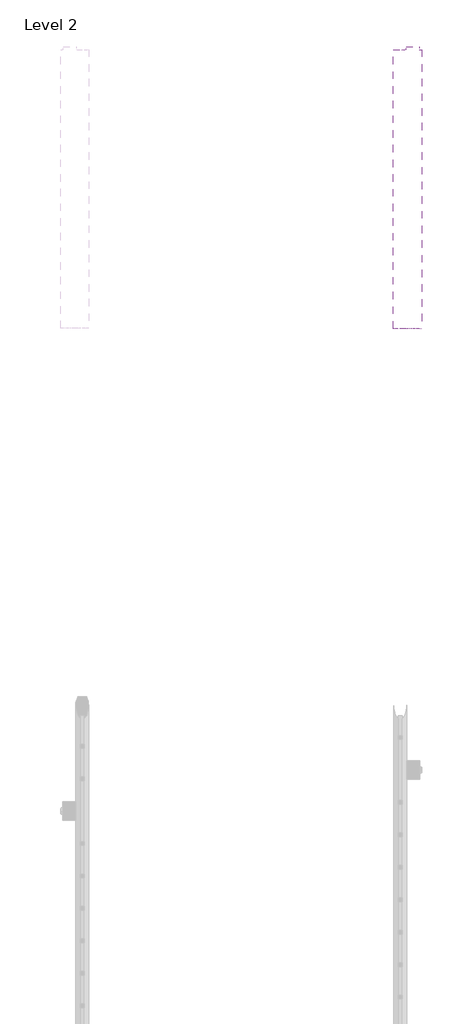
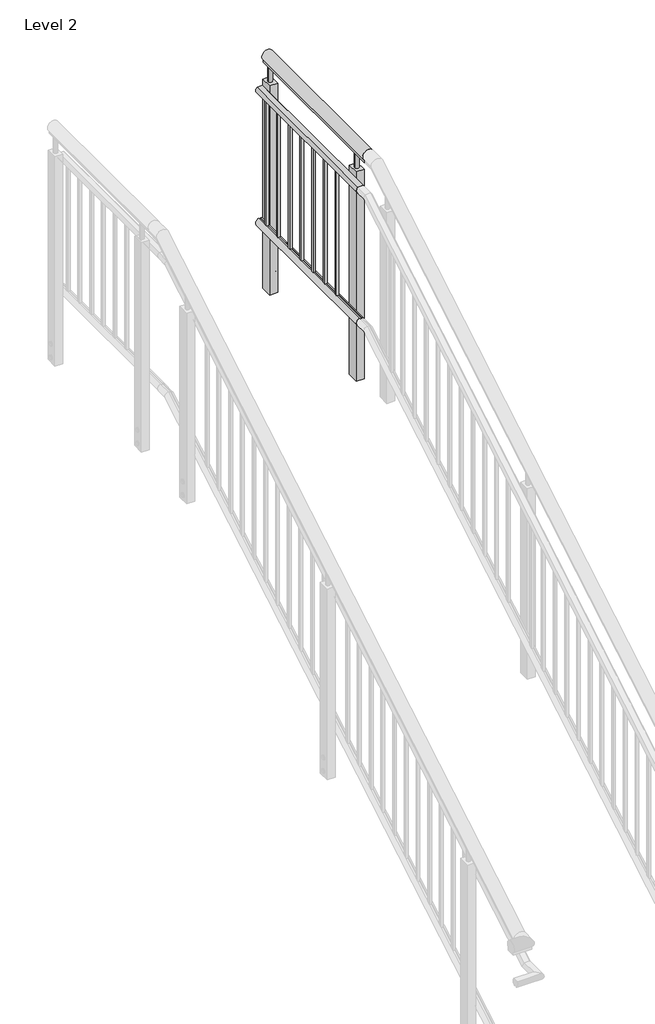
# One storey, part 7 of 7: 1 railing.
"""IFC4 building model written with IfcOpenShell, lengths in millimetres."""

from ifc_helpers import new_model, si_unit, point, frame, frame_2d, origin, place, context, project, spatial, polyline, circle_curve, trimmed, segment, composite_curve, outline, extrude, element, save

model = new_model("IFC4")

# Units and contexts
model_context = context("Model", 3, world=origin())
ifc_project = project(units=[si_unit("LENGTHUNIT", "METRE", prefix="MILLI")], contexts=[model_context])

# Site, building, storey
site = spatial("IfcSite", under=ifc_project)
building = spatial("IfcBuilding", under=site)
storey = spatial("IfcBuildingStorey", under=building, Name="Level 2", Elevation=4000.0)

# Railing
placement = place(None, origin())
element("IfcRailing", 1, ObjectType="MT_Common stair with Balustrade_Level 4", at=placement, inside=storey, context=model_context, shape_type="SweptSolid", body=[
    extrude(outline(composite_curve([segment(trimmed(circle_curve(frame_2d((6710.0, -7594.4117574)), 28.3397674), [point((6690.8057322, -7573.5617574))], [point((6690.8057322, -7615.2617574))], False, "CARTESIAN"), True, "CONTINUOUS"), segment(polyline([(6690.8057322, -7615.2617574), (6678.0, -7615.2617574), (6678.0, -7573.5617574), (6690.8057322, -7573.5617574)]), True, "CONTINUOUS")], self_intersect=False)), frame((0.0, -1698.2332568, 0.0), z_axis=(0.0, 1.0, 0.0), x_axis=(0.0, 0.0, 1.0)), (0.0, 0.0, 1.0), 860.0),
    extrude(outline(composite_curve([segment(polyline([(6525.9454038, -7639.6279022), (6530.0, -7639.6279022), (6530.0, -7628.0453076), (6525.7728949, -7628.0453076)]), True, "CONTINUOUS"), segment(trimmed(circle_curve(frame_2d((6545.0, -7633.5515248)), 20.0), [point((6525.7728949, -7628.0453076))], [point((6560.0, -7620.3227683))], False, "CARTESIAN"), True, "CONTINUOUS"), segment(polyline([(6560.0, -7620.3227683), (6560.0, -7646.7802814)]), True, "CONTINUOUS"), segment(trimmed(circle_curve(frame_2d((6545.0, -7633.5515248)), 20.0), [point((6560.0, -7646.7802814))], [point((6525.9454038, -7639.6279022))], False, "CARTESIAN"), True, "CONTINUOUS")], self_intersect=False)), frame((0.0, -1698.2332568, 0.0), z_axis=(0.0, 1.0, 0.0), x_axis=(0.0, 0.0, 1.0)), (0.0, 0.0, 1.0), 860.0),
    extrude(outline(composite_curve([segment(polyline([(5873.2545962, -7627.4751475), (5869.2, -7627.4751475), (5869.2, -7639.057742), (5873.4271051, -7639.057742)]), True, "CONTINUOUS"), segment(trimmed(circle_curve(frame_2d((5854.2, -7633.5515248)), 20.0), [point((5873.4271051, -7639.057742))], [point((5839.2, -7646.7802814))], False, "CARTESIAN"), True, "CONTINUOUS"), segment(polyline([(5839.2, -7646.7802814), (5839.2, -7620.3227683)]), True, "CONTINUOUS"), segment(trimmed(circle_curve(frame_2d((5854.2, -7633.5515248)), 20.0), [point((5839.2, -7620.3227683))], [point((5873.2545962, -7627.4751475))], False, "CARTESIAN"), True, "CONTINUOUS")], self_intersect=False)), frame((0.0, -1698.2332568, 0.0), z_axis=(0.0, 1.0, 0.0), x_axis=(0.0, 0.0, 1.0)), (0.0, 0.0, 1.0), 860.0),
    extrude(outline(polyline([(-7639.5515248, -904.2332568), (-7639.5515248, -892.2332568), (-7627.5515248, -892.2332568), (-7627.5515248, -904.2332568), (-7639.5515248, -904.2332568)])), frame((0.0, 0.0, 5873.4271051), z_axis=(0.0, 0.0, 1.0), x_axis=(1.0, 0.0, 0.0)), (0.0, 0.0, 1.0), 656.5728949),
    extrude(outline(polyline([(-7639.5515248, -1004.2332568), (-7639.5515248, -992.2332568), (-7627.5515248, -992.2332568), (-7627.5515248, -1004.2332568), (-7639.5515248, -1004.2332568)])), frame((0.0, 0.0, 5873.4271051), z_axis=(0.0, 0.0, 1.0), x_axis=(1.0, 0.0, 0.0)), (0.0, 0.0, 1.0), 656.5728949),
    extrude(outline(polyline([(-7639.5515248, -1104.2332568), (-7639.5515248, -1092.2332568), (-7627.5515248, -1092.2332568), (-7627.5515248, -1104.2332568), (-7639.5515248, -1104.2332568)])), frame((0.0, 0.0, 5873.4271051), z_axis=(0.0, 0.0, 1.0), x_axis=(1.0, 0.0, 0.0)), (0.0, 0.0, 1.0), 656.5728949),
    extrude(outline(polyline([(-7639.5515248, -1204.2332568), (-7639.5515248, -1192.2332568), (-7627.5515248, -1192.2332568), (-7627.5515248, -1204.2332568), (-7639.5515248, -1204.2332568)])), frame((0.0, 0.0, 5873.4271051), z_axis=(0.0, 0.0, 1.0), x_axis=(1.0, 0.0, 0.0)), (0.0, 0.0, 1.0), 656.5728949),
    extrude(outline(polyline([(-7639.5515248, -1304.2332568), (-7639.5515248, -1292.2332568), (-7627.5515248, -1292.2332568), (-7627.5515248, -1304.2332568), (-7639.5515248, -1304.2332568)])), frame((0.0, 0.0, 5873.4271051), z_axis=(0.0, 0.0, 1.0), x_axis=(1.0, 0.0, 0.0)), (0.0, 0.0, 1.0), 656.5728949),
    extrude(outline(polyline([(-7639.5515248, -1404.2332568), (-7639.5515248, -1392.2332568), (-7627.5515248, -1392.2332568), (-7627.5515248, -1404.2332568), (-7639.5515248, -1404.2332568)])), frame((0.0, 0.0, 5873.4271051), z_axis=(0.0, 0.0, 1.0), x_axis=(1.0, 0.0, 0.0)), (0.0, 0.0, 1.0), 656.5728949),
    extrude(outline(polyline([(-7639.5515248, -1504.2332568), (-7639.5515248, -1492.2332568), (-7627.5515248, -1492.2332568), (-7627.5515248, -1504.2332568), (-7639.5515248, -1504.2332568)])), frame((0.0, 0.0, 5873.4271051), z_axis=(0.0, 0.0, 1.0), x_axis=(1.0, 0.0, 0.0)), (0.0, 0.0, 1.0), 656.5728949),
    extrude(outline(polyline([(-858.2332568, 5535.7470054), (-848.2332568, 5529.9735027), (-848.2332568, 5518.4264973), (-858.2332568, 5512.6529946), (-868.2332568, 5518.4264973), (-868.2332568, 5529.9735027), (-858.2332568, 5535.7470054)])), frame((-7573.5515248, 0.0, 0.0), z_axis=(1.0, 0.0, 0.0), x_axis=(0.0, 1.0, 0.0)), (0.0, 0.0, 1.0), 4.0),
    extrude(outline(polyline([(-858.2332568, 5605.7470054), (-848.2332568, 5599.9735027), (-848.2332568, 5588.4264973), (-858.2332568, 5582.6529946), (-868.2332568, 5588.4264973), (-868.2332568, 5599.9735027), (-858.2332568, 5605.7470054)])), frame((-7573.5515248, 0.0, 0.0), z_axis=(1.0, 0.0, 0.0), x_axis=(0.0, 1.0, 0.0)), (0.0, 0.0, 1.0), 4.0),
    extrude(outline(composite_curve([segment(trimmed(circle_curve(frame_2d((-858.2332568, 5524.2)), 8.0), [point((-866.2332568, 5524.2))], [point((-850.2332568, 5524.2))], False, "CARTESIAN"), True, "CONTINUOUS"), segment(trimmed(circle_curve(frame_2d((-858.2332568, 5524.2)), 8.0), [point((-850.2332568, 5524.2))], [point((-866.2332568, 5524.2))], False, "CARTESIAN"), True, "CONTINUOUS")], self_intersect=False)), frame((-7573.5515248, 0.0, 0.0), z_axis=(1.0, 0.0, 0.0), x_axis=(0.0, 1.0, 0.0)), (0.0, 0.0, 1.0), 6.0),
    extrude(outline(composite_curve([segment(trimmed(circle_curve(frame_2d((-858.2332568, 5594.2)), 8.0), [point((-866.2332568, 5594.2))], [point((-850.2332568, 5594.2))], False, "CARTESIAN"), True, "CONTINUOUS"), segment(trimmed(circle_curve(frame_2d((-858.2332568, 5594.2)), 8.0), [point((-850.2332568, 5594.2))], [point((-866.2332568, 5594.2))], False, "CARTESIAN"), True, "CONTINUOUS")], self_intersect=False)), frame((-7573.5515248, 0.0, 0.0), z_axis=(1.0, 0.0, 0.0), x_axis=(0.0, 1.0, 0.0)), (0.0, 0.0, 1.0), 6.0),
    extrude(outline(composite_curve([segment(trimmed(circle_curve(frame_2d((-7593.5515248, -858.2332568)), 10.0), [point((-7583.5515248, -858.2332568))], [point((-7603.5515248, -858.2332568))], False, "CARTESIAN"), True, "CONTINUOUS"), segment(trimmed(circle_curve(frame_2d((-7593.5515248, -858.2332568)), 10.0), [point((-7603.5515248, -858.2332568))], [point((-7583.5515248, -858.2332568))], False, "CARTESIAN"), True, "CONTINUOUS")], self_intersect=False)), frame((0.0, 0.0, 6585.0), z_axis=(0.0, 0.0, 1.0), x_axis=(1.0, 0.0, 0.0)), (0.0, 0.0, 1.0), 100.0),
    extrude(outline(polyline([(-7613.5515248, -887.2332568), (-7613.5515248, -829.2332568), (-7573.5515248, -829.2332568), (-7573.5515248, -887.2332568), (-7613.5515248, -887.2332568)])), frame((0.0, 0.0, 5494.2), z_axis=(0.0, 0.0, 1.0), x_axis=(1.0, 0.0, 0.0)), (0.0, 0.0, 1.0), 1090.8),
    extrude(outline(polyline([(-1598.2332568, 5535.7470054), (-1588.2332568, 5529.9735027), (-1588.2332568, 5518.4264973), (-1598.2332568, 5512.6529946), (-1608.2332568, 5518.4264973), (-1608.2332568, 5529.9735027), (-1598.2332568, 5535.7470054)])), frame((-7573.5515248, 0.0, 0.0), z_axis=(1.0, 0.0, 0.0), x_axis=(0.0, 1.0, 0.0)), (0.0, 0.0, 1.0), 4.0),
    extrude(outline(polyline([(-1598.2332568, 5605.7470054), (-1588.2332568, 5599.9735027), (-1588.2332568, 5588.4264973), (-1598.2332568, 5582.6529946), (-1608.2332568, 5588.4264973), (-1608.2332568, 5599.9735027), (-1598.2332568, 5605.7470054)])), frame((-7573.5515248, 0.0, 0.0), z_axis=(1.0, 0.0, 0.0), x_axis=(0.0, 1.0, 0.0)), (0.0, 0.0, 1.0), 4.0),
    extrude(outline(composite_curve([segment(trimmed(circle_curve(frame_2d((-1598.2332568, 5524.2)), 8.0), [point((-1606.2332568, 5524.2))], [point((-1590.2332568, 5524.2))], False, "CARTESIAN"), True, "CONTINUOUS"), segment(trimmed(circle_curve(frame_2d((-1598.2332568, 5524.2)), 8.0), [point((-1590.2332568, 5524.2))], [point((-1606.2332568, 5524.2))], False, "CARTESIAN"), True, "CONTINUOUS")], self_intersect=False)), frame((-7573.5515248, 0.0, 0.0), z_axis=(1.0, 0.0, 0.0), x_axis=(0.0, 1.0, 0.0)), (0.0, 0.0, 1.0), 6.0),
    extrude(outline(composite_curve([segment(trimmed(circle_curve(frame_2d((-1598.2332568, 5594.2)), 8.0), [point((-1606.2332568, 5594.2))], [point((-1590.2332568, 5594.2))], False, "CARTESIAN"), True, "CONTINUOUS"), segment(trimmed(circle_curve(frame_2d((-1598.2332568, 5594.2)), 8.0), [point((-1590.2332568, 5594.2))], [point((-1606.2332568, 5594.2))], False, "CARTESIAN"), True, "CONTINUOUS")], self_intersect=False)), frame((-7573.5515248, 0.0, 0.0), z_axis=(1.0, 0.0, 0.0), x_axis=(0.0, 1.0, 0.0)), (0.0, 0.0, 1.0), 6.0),
    extrude(outline(composite_curve([segment(trimmed(circle_curve(frame_2d((-7593.5515248, -1598.2332568)), 10.0), [point((-7583.5515248, -1598.2332568))], [point((-7603.5515248, -1598.2332568))], False, "CARTESIAN"), True, "CONTINUOUS"), segment(trimmed(circle_curve(frame_2d((-7593.5515248, -1598.2332568)), 10.0), [point((-7603.5515248, -1598.2332568))], [point((-7583.5515248, -1598.2332568))], False, "CARTESIAN"), True, "CONTINUOUS")], self_intersect=False)), frame((0.0, 0.0, 6585.0), z_axis=(0.0, 0.0, 1.0), x_axis=(1.0, 0.0, 0.0)), (0.0, 0.0, 1.0), 100.0),
    extrude(outline(polyline([(-7613.5515248, -1627.2332568), (-7613.5515248, -1569.2332568), (-7573.5515248, -1569.2332568), (-7573.5515248, -1627.2332568), (-7613.5515248, -1627.2332568)])), frame((0.0, 0.0, 5494.2), z_axis=(0.0, 0.0, 1.0), x_axis=(1.0, 0.0, 0.0)), (0.0, 0.0, 1.0), 1090.8),
])

save(model, "model.ifc")
